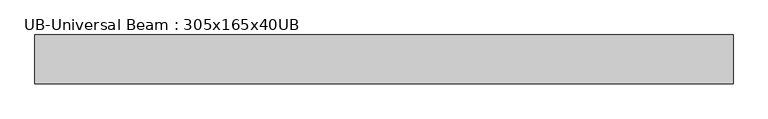
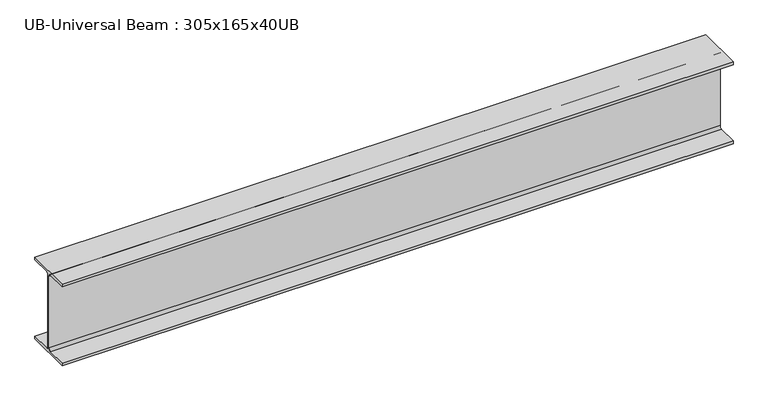
"""IFC4 building model written with IfcOpenShell, lengths in millimetres: beam geometry, UB-Universal Beam : 305x165x40UB."""

from ifc_helpers import new_model, si_unit, point, frame, frame_2d, origin, place, context, project, spatial, polyline, circle_curve, trimmed, segment, composite_curve, outline, extrude, source, transform, mapped, element, save


def ub_universal_beam_305x165x40ub_5ef78bee(model_context):
    return source(origin(), model_context, "Body", "SweptSolid", [
        extrude(outline(composite_curve([segment(polyline([(82.5, -141.5), (82.5, -151.7), (-82.5, -151.7), (-82.5, -141.5), (-11.9, -141.5)]), True, "CONTINUOUS"), segment(trimmed(circle_curve(frame_2d((-11.9, -132.6)), 8.9), [point((-11.9, -141.5))], [point((-3.0, -132.6))], True, "CARTESIAN"), True, "CONTINUOUS"), segment(polyline([(-3.0, -132.6), (-3.0, 132.6)]), True, "CONTINUOUS"), segment(trimmed(circle_curve(frame_2d((-11.9, 132.6)), 8.9), [point((-3.0, 132.6))], [point((-11.9, 141.5))], True, "CARTESIAN"), True, "CONTINUOUS"), segment(polyline([(-11.9, 141.5), (-82.5, 141.5), (-82.5, 151.7), (82.5, 151.7), (82.5, 141.5), (11.9, 141.5)]), True, "CONTINUOUS"), segment(trimmed(circle_curve(frame_2d((11.9, 132.6)), 8.9), [point((11.9, 141.5))], [point((3.0, 132.6))], True, "CARTESIAN"), True, "CONTINUOUS"), segment(polyline([(3.0, 132.6), (3.0, -132.6)]), True, "CONTINUOUS"), segment(trimmed(circle_curve(frame_2d((11.9, -132.6)), 8.9), [point((3.0, -132.6))], [point((11.9, -141.5))], True, "CARTESIAN"), True, "CONTINUOUS"), segment(polyline([(11.9, -141.5), (82.5, -141.5)]), True, "CONTINUOUS")], self_intersect=False)), frame((-1179.8, 0.0, 0.0), z_axis=(1.0, 0.0, 0.0), x_axis=(0.0, 1.0, 0.0)), (0.0, 0.0, 1.0), 2356.35),
    ])


if __name__ == "__main__":
    model = new_model("IFC4")
    model_context = context("Model", 3, world=origin())
    ifc_project = project(units=[si_unit("LENGTHUNIT", "METRE", prefix="MILLI")], contexts=[model_context])
    site = spatial("IfcSite", under=ifc_project)
    building = spatial("IfcBuilding", under=site)
    placement = place(None, origin())
    ub_universal_beam_305x165x40ub_shape = ub_universal_beam_305x165x40ub_5ef78bee(model_context)
    element("IfcBeam", 1, ObjectType="UB-Universal Beam : 305x165x40UB", at=placement, inside=building, context=model_context, shape_type="MappedRepresentation", body=[
        mapped(ub_universal_beam_305x165x40ub_shape, transform((0.0, 0.0, 0.0), x_axis=(1.0, 0.0, 0.0), y_axis=(0.0, 1.0, 0.0), z_axis=(0.0, 0.0, 1.0))),
    ])
    save(model, "model.ifc")
